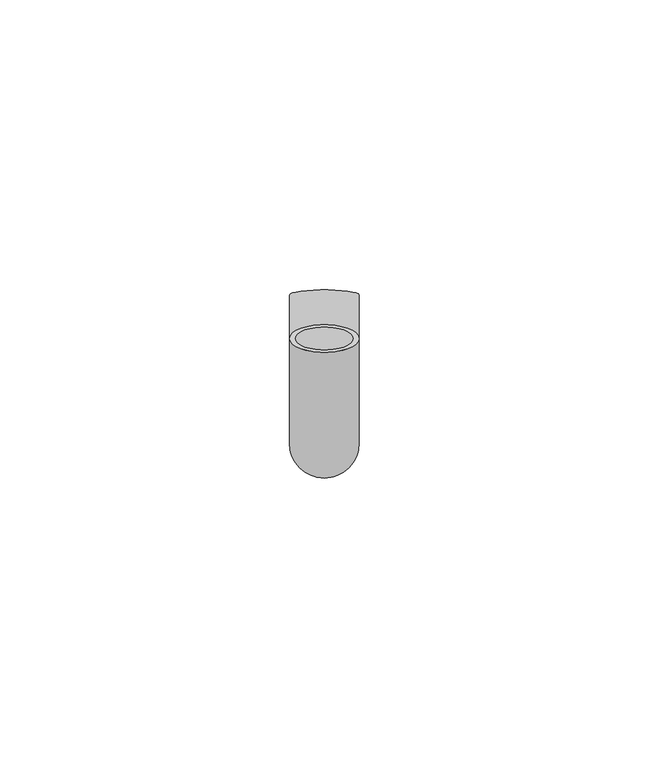
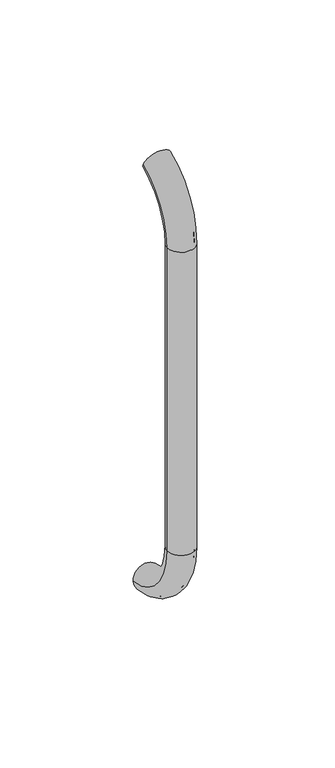
"""IFC4 building model written with IfcOpenShell, lengths in millimetres: beam geometry."""

from ifc_helpers import new_model, si_unit, point, frame, origin, place, context, project, spatial, polyline, circle_curve, ellipse_curve, trimmed, source, transform, mapped, element, save
from ifc_brep_helpers import plane_surface, cylinder_surface, revolved_surface, advanced_brep


def beam_4c23ad95(model_context):
    return source(origin(), model_context, "Body", "AdvancedBrep", [
        advanced_brep(
        [(4511.7030518, 2444.0395554, 1993.7787656), (4523.7030518, 2444.0395554, 1993.7787656), (4512.7030518, 2444.0395554, 1993.7787656), (4522.7030518, 2444.0395554, 1993.7787656), (4522.7030518, 2425.9629385, 1966.25), (4512.7030518, 2425.9629385, 1966.25), (4523.7030518, 2425.9629385, 1966.25), (4511.7030518, 2425.9629385, 1966.25), (4512.7030518, 2425.9629385, 1826.25), (4522.7030518, 2425.9629385, 1826.25), (4511.7030518, 2425.9629385, 1826.25), (4523.7030518, 2425.9629385, 1826.25), (4511.7030518, 2451.5825147, 1796.5715249), (4523.7030518, 2451.5825147, 1796.5715249), (4512.7030518, 2451.5825147, 1796.5715249), (4522.7030518, 2451.5825147, 1796.5715249)],
        [
            (0, 1, circle_curve(frame((4517.7030518, 2444.0395554, 1993.7787656), z_axis=(0.0, 0.9176255197351176, 0.3974461039321624), x_axis=(1.0, 0.0, 0.0)), 6.0)),
            (1, 0, circle_curve(frame((4517.7030518, 2444.0395554, 1993.7787656), z_axis=(0.0, 0.9176255197351176, 0.3974461039321624), x_axis=(1.0, 0.0, 0.0)), 6.0)),
            (2, 3, circle_curve(frame((4517.7030518, 2444.0395554, 1993.7787656), z_axis=(0.0, -0.9176255197351176, -0.3974461039321624), x_axis=(1.0, 0.0, 0.0)), 5.0)),
            (3, 2, circle_curve(frame((4517.7030518, 2444.0395554, 1993.7787656), z_axis=(0.0, -0.9176255197351176, -0.3974461039321624), x_axis=(1.0, 0.0, 0.0)), 5.0)),
            (4, 3, circle_curve(frame((4522.7030518, 2455.9629385, 1966.25), z_axis=(-1.0, 0.0, 0.0), x_axis=(0.0, -0.3974461039321624, 0.9176255197351176)), 30.0)),
            (2, 5, circle_curve(frame((4512.7030518, 2455.9629385, 1966.25), z_axis=(1.0, 0.0, 0.0), x_axis=(0.0, -0.3974461039321624, 0.9176255197351176)), 30.0)),
            (5, 4, circle_curve(frame((4517.7030518, 2425.9629385, 1966.25), z_axis=(0.0, 0.0, -1.0), x_axis=(1.0, 0.0, 0.0)), 5.0)),
            (4, 5, circle_curve(frame((4517.7030518, 2425.9629385, 1966.25), z_axis=(0.0, 0.0, -1.0), x_axis=(1.0, 0.0, 0.0)), 5.0)),
            (6, 1, circle_curve(frame((4523.7030518, 2455.9629385, 1966.25), z_axis=(-1.0, 0.0, 0.0), x_axis=(0.0, -0.3974461039321624, 0.9176255197351176)), 30.0)),
            (0, 7, circle_curve(frame((4511.7030518, 2455.9629385, 1966.25), z_axis=(1.0, 0.0, 0.0), x_axis=(0.0, -0.3974461039321624, 0.9176255197351176)), 30.0)),
            (7, 6, circle_curve(frame((4517.7030518, 2425.9629385, 1966.25), z_axis=(0.0, 0.0, 1.0), x_axis=(1.0, 0.0, 0.0)), 6.0)),
            (6, 7, circle_curve(frame((4517.7030518, 2425.9629385, 1966.25), z_axis=(0.0, 0.0, 1.0), x_axis=(1.0, 0.0, 0.0)), 6.0)),
            (5, 8),
            (8, 9, circle_curve(frame((4517.7030518, 2425.9629385, 1826.25), z_axis=(0.0, 0.0, -1.0), x_axis=(1.0, 0.0, 0.0)), 5.0)),
            (9, 4),
            (9, 8, circle_curve(frame((4517.7030518, 2425.9629385, 1826.25), z_axis=(0.0, 0.0, -1.0), x_axis=(1.0, 0.0, 0.0)), 5.0)),
            (7, 10),
            (10, 11, circle_curve(frame((4517.7030518, 2425.9629385, 1826.25), z_axis=(0.0, 0.0, 1.0), x_axis=(1.0, 0.0, 0.0)), 6.0)),
            (11, 6),
            (11, 10, circle_curve(frame((4517.7030518, 2425.9629385, 1826.25), z_axis=(0.0, 0.0, 1.0), x_axis=(1.0, 0.0, 0.0)), 6.0)),
            (12, 13, circle_curve(frame((4517.7030518, 2451.5825147, 1796.5715249), z_axis=(0.0, 0.9892825047438852, -0.14601412879466394), x_axis=(1.0, 0.0, 0.0)), 6.0)),
            (13, 12, circle_curve(frame((4517.7030518, 2451.5825147, 1796.5715249), z_axis=(0.0, 0.9892825047438852, -0.14601412879466394), x_axis=(1.0, 0.0, 0.0)), 6.0)),
            (14, 15, circle_curve(frame((4517.7030518, 2451.5825147, 1796.5715249), z_axis=(0.0, -0.9892825047438852, 0.14601412879466394), x_axis=(1.0, 0.0, 0.0)), 5.0)),
            (15, 14, circle_curve(frame((4517.7030518, 2451.5825147, 1796.5715249), z_axis=(0.0, -0.9892825047438852, 0.14601412879466394), x_axis=(1.0, 0.0, 0.0)), 5.0)),
            (15, 9, circle_curve(frame((4522.7030518, 2455.9629385, 1826.25), z_axis=(-1.0, 0.0, 0.0), x_axis=(0.0, -1.0, 0.0)), 30.0)),
            (8, 14, circle_curve(frame((4512.7030518, 2455.9629385, 1826.25), z_axis=(1.0, 0.0, 0.0), x_axis=(0.0, -1.0, 0.0)), 30.0)),
            (13, 11, circle_curve(frame((4523.7030518, 2455.9629385, 1826.25), z_axis=(-1.0, 0.0, 0.0), x_axis=(0.0, -1.0, 0.0)), 30.0)),
            (10, 12, circle_curve(frame((4511.7030518, 2455.9629385, 1826.25), z_axis=(1.0, 0.0, 0.0), x_axis=(0.0, -1.0, 0.0)), 30.0)),
        ],
        [
            plane_surface(frame((4517.7030518, 2444.0395554, 1993.7787656), z_axis=(0.0, 0.9176255197351176, 0.3974461039321624), x_axis=(1.0, 0.0, 0.0))),
            revolved_surface(trimmed(ellipse_curve(frame((4517.7030518, 2444.0395554, 1993.7787656), z_axis=(0.0, -0.9176255197351176, -0.3974461039321624), x_axis=(1.0, 0.0, 0.0)), 5.0, 5.0), [point((4512.7030518, 2444.0395554, 1993.7787656))], [point((4522.7030518, 2444.0395554, 1993.7787656))], True, "CARTESIAN"), (4517.7030518, 2455.9629385, 1966.25), (1.0, 0.0, 0.0)),
            revolved_surface(trimmed(ellipse_curve(frame((4517.7030518, 2444.0395554, 1993.7787656), z_axis=(0.0, -0.9176255197351176, -0.3974461039321624), x_axis=(1.0, 0.0, 0.0)), 5.0, 5.0), [point((4522.7030518, 2444.0395554, 1993.7787656))], [point((4512.7030518, 2444.0395554, 1993.7787656))], True, "CARTESIAN"), (4517.7030518, 2455.9629385, 1966.25), (1.0, 0.0, 0.0)),
            revolved_surface(trimmed(ellipse_curve(frame((4517.7030518, 2444.0395554, 1993.7787656), z_axis=(0.0, 0.9176255197351176, 0.3974461039321624), x_axis=(1.0, 0.0, 0.0)), 6.0, 6.0), [point((4511.7030518, 2444.0395554, 1993.7787656))], [point((4523.7030518, 2444.0395554, 1993.7787656))], True, "CARTESIAN"), (4517.7030518, 2455.9629385, 1966.25), (1.0, 0.0, 0.0)),
            revolved_surface(trimmed(ellipse_curve(frame((4517.7030518, 2444.0395554, 1993.7787656), z_axis=(0.0, 0.9176255197351176, 0.3974461039321624), x_axis=(1.0, 0.0, 0.0)), 6.0, 6.0), [point((4523.7030518, 2444.0395554, 1993.7787656))], [point((4511.7030518, 2444.0395554, 1993.7787656))], True, "CARTESIAN"), (4517.7030518, 2455.9629385, 1966.25), (1.0, 0.0, 0.0)),
            revolved_surface(polyline([(4522.7030518, 2425.9629385, 1826.25), (4522.7030518, 2425.9629385, 1966.25)]), (4517.7030518, 2425.9629385, 1966.25), (0.0, 0.0, -1.0)),
            cylinder_surface(frame((4517.7030518, 2425.9629385, 1966.25), z_axis=(0.0, 0.0, 1.0), x_axis=(1.0, 0.0, 0.0)), 6.0),
            plane_surface(frame((4517.7030518, 2451.5825147, 1796.5715249), z_axis=(0.0, 0.9892825047438852, -0.14601412879466397), x_axis=(1.0, 0.0, 0.0))),
            revolved_surface(trimmed(ellipse_curve(frame((4517.7030518, 2425.9629385, 1826.25), z_axis=(0.0, 0.0, -1.0), x_axis=(1.0, 0.0, 0.0)), 5.0, 5.0), [point((4512.7030518, 2425.9629385, 1826.25))], [point((4522.7030518, 2425.9629385, 1826.25))], True, "CARTESIAN"), (4517.7030518, 2455.9629385, 1826.25), (1.0, 0.0, 0.0)),
            revolved_surface(trimmed(ellipse_curve(frame((4517.7030518, 2425.9629385, 1826.25), z_axis=(0.0, 0.0, -1.0), x_axis=(1.0, 0.0, 0.0)), 5.0, 5.0), [point((4522.7030518, 2425.9629385, 1826.25))], [point((4512.7030518, 2425.9629385, 1826.25))], True, "CARTESIAN"), (4517.7030518, 2455.9629385, 1826.25), (1.0, 0.0, 0.0)),
            revolved_surface(trimmed(ellipse_curve(frame((4517.7030518, 2425.9629385, 1826.25), z_axis=(0.0, 0.0, 1.0), x_axis=(1.0, 0.0, 0.0)), 6.0, 6.0), [point((4511.7030518, 2425.9629385, 1826.25))], [point((4523.7030518, 2425.9629385, 1826.25))], True, "CARTESIAN"), (4517.7030518, 2455.9629385, 1826.25), (1.0, 0.0, 0.0)),
            revolved_surface(trimmed(ellipse_curve(frame((4517.7030518, 2425.9629385, 1826.25), z_axis=(0.0, 0.0, 1.0), x_axis=(1.0, 0.0, 0.0)), 6.0, 6.0), [point((4523.7030518, 2425.9629385, 1826.25))], [point((4511.7030518, 2425.9629385, 1826.25))], True, "CARTESIAN"), (4517.7030518, 2455.9629385, 1826.25), (1.0, 0.0, 0.0)),
        ],
        [
            (0, [[1, 2], [3, 4]]),
            (1, [[5, -3, 6, 7]]),
            (2, [[-6, -4, -5, 8]]),
            (3, [[9, -1, 10, 11]]),
            (4, [[-10, -2, -9, 12]]),
            (5, [[-7, 13, 14, 15]]),
            (5, [[-8, -15, 16, -13]]),
            (6, [[-11, 17, 18, 19]]),
            (6, [[-12, -19, 20, -17]]),
            (7, [[21, 22], [23, 24]]),
            (8, [[25, -14, 26, -24]]),
            (9, [[-26, -16, -25, -23]]),
            (10, [[27, -18, 28, -22]]),
            (11, [[-28, -20, -27, -21]]),
        ],
    ),
    ])


if __name__ == "__main__":
    model = new_model("IFC4")
    model_context = context("Model", 3, world=origin())
    ifc_project = project(units=[si_unit("LENGTHUNIT", "METRE", prefix="MILLI")], contexts=[model_context])
    site = spatial("IfcSite", under=ifc_project)
    building = spatial("IfcBuilding", under=site)
    placement = place(None, origin())
    beam_shape = beam_4c23ad95(model_context)
    element("IfcBeam", 1, at=placement, inside=building, context=model_context, shape_type="MappedRepresentation", body=[
        mapped(beam_shape, transform((0.0, 0.0, 0.0), x_axis=(1.0, 0.0, 0.0), y_axis=(0.0, 1.0, 0.0), z_axis=(0.0, 0.0, 1.0))),
    ])
    save(model, "model.ifc")
